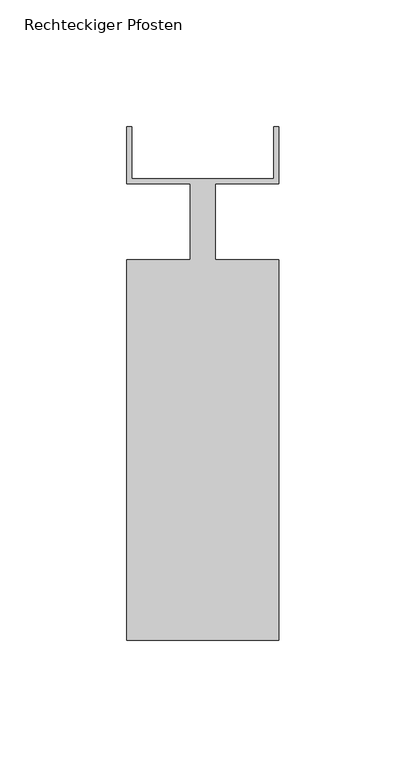
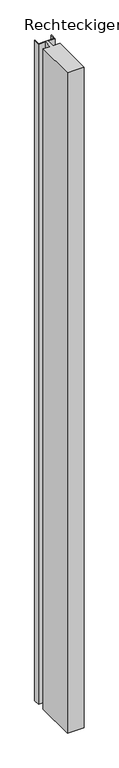
"""IFC4 building model written with IfcOpenShell, lengths in millimetres: member geometry, Rechteckiger Pfosten."""

from ifc_helpers import new_model, si_unit, frame, origin, place, context, project, spatial, polyline, outline, extrude, source, transform, mapped, element, save


def rechteckiger_pfosten_e8384ba4(model_context):
    return source(origin(), model_context, "Body", "SweptSolid", [
        extrude(outline(polyline([(-2.0, 37.5), (0.0, 37.5), (0.0, 15.0), (-25.0, 15.0), (-25.0, -15.0), (0.0, -15.0), (0.0, -165.0), (-60.0, -165.0), (-60.0, -15.0), (-35.0, -15.0), (-35.0, 15.0), (-60.0, 15.0), (-60.0, 37.5), (-58.0, 37.5), (-58.0, 17.0), (-2.0, 17.0), (-2.0, 37.5)])), frame((0.0, 0.0, -2500.0), z_axis=(0.0, 0.0, 1.0), x_axis=(1.0, 0.0, 0.0)), (0.0, 0.0, 1.0), 2500.0),
    ])


if __name__ == "__main__":
    model = new_model("IFC4")
    model_context = context("Model", 3, world=origin())
    ifc_project = project(units=[si_unit("LENGTHUNIT", "METRE", prefix="MILLI")], contexts=[model_context])
    site = spatial("IfcSite", under=ifc_project)
    building = spatial("IfcBuilding", under=site)
    placement = place(None, origin())
    rechteckiger_pfosten_shape = rechteckiger_pfosten_e8384ba4(model_context)
    element("IfcMember", 1, ObjectType="Rechteckiger Pfosten", at=placement, inside=building, context=model_context, shape_type="MappedRepresentation", body=[
        mapped(rechteckiger_pfosten_shape, transform((0.0, 0.0, 0.0), x_axis=(1.0, 0.0, 0.0), y_axis=(0.0, 1.0, 0.0), z_axis=(0.0, 0.0, 1.0))),
    ])
    save(model, "model.ifc")
